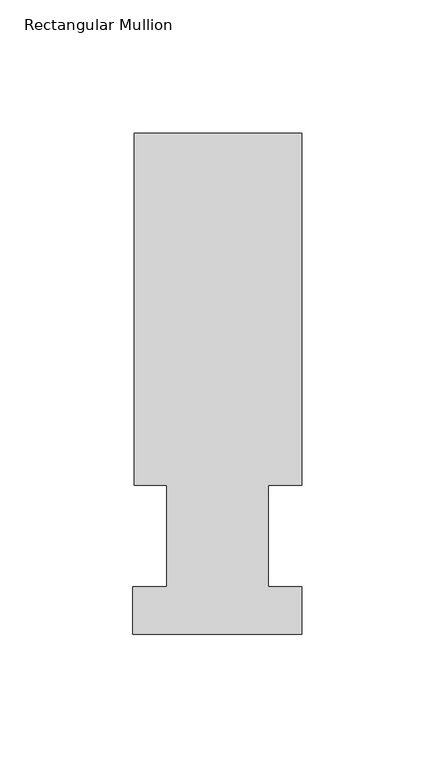
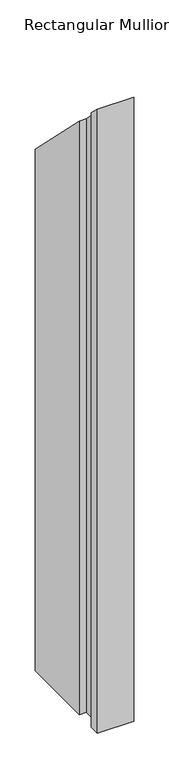
"""IFC4 building model written with IfcOpenShell, lengths in millimetres: member geometry, Rectangular Mullion."""

from ifc_helpers import new_model, si_unit, origin, place, context, project, spatial, faceted_brep, source, transform, mapped, element, save


def rectangular_mullion_57e0dfc1(model_context):
    return source(origin(), model_context, "Body", "Brep", [
        faceted_brep([(-63.0936, 189.0895062, -1148.765117), (0.0, 189.0895062, -1148.765117), (0.0, 56.6539062, -1148.765117), (-12.6746, 56.6539062, -1148.765117), (-12.6746, 18.5539063, -1148.765117), (0.0, 18.5539062, -1148.765117), (0.0, 0.5199062, -1148.765117), (-63.5, 0.5199062, -1148.765117), (-63.5, 18.5539063, -1148.765117), (-50.8, 18.5539063, -1148.765117), (-50.8, 56.6539062, -1148.765117), (-63.0936, 56.6539062, -1148.765117), (-63.0936, 56.6539062, -56.6539063), (-63.0936, 189.0895062, -189.0895062), (-50.8, 56.6539062, -56.6539063), (-50.8, 18.5539063, -18.5539063), (-63.5, 18.5539063, -18.5539063), (-63.5, 0.5199062, -0.5199062), (0.0, 0.5199062, -0.5199062), (0.0, 18.5539062, -18.5539062), (-12.6746, 18.5539062, -18.5539063), (-12.6746, 56.6539062, -56.6539063), (0.0, 56.6539062, -56.6539063), (0.0, 189.0895062, -189.0895062)], [[[0, 1, 2, 3, 4, 5, 6, 7, 8, 9, 10, 11]], [[12, 13, 0, 11]], [[14, 12, 11, 10]], [[15, 14, 10, 9]], [[16, 15, 9, 8]], [[17, 16, 8, 7]], [[18, 17, 7, 6]], [[19, 18, 6, 5]], [[20, 19, 5, 4]], [[21, 20, 4, 3]], [[22, 21, 3, 2]], [[23, 22, 2, 1]], [[13, 23, 1, 0]], [[13, 12, 14, 15, 16, 17, 18, 19, 20, 21, 22, 23]]]),
    ])


if __name__ == "__main__":
    model = new_model("IFC4")
    model_context = context("Model", 3, world=origin())
    ifc_project = project(units=[si_unit("LENGTHUNIT", "METRE", prefix="MILLI")], contexts=[model_context])
    site = spatial("IfcSite", under=ifc_project)
    building = spatial("IfcBuilding", under=site)
    placement = place(None, origin())
    rectangular_mullion_shape = rectangular_mullion_57e0dfc1(model_context)
    element("IfcMember", 1, ObjectType="Rectangular Mullion", at=placement, inside=building, context=model_context, shape_type="MappedRepresentation", body=[
        mapped(rectangular_mullion_shape, transform((0.0, 0.0, 0.0), x_axis=(1.0, 0.0, 0.0), y_axis=(0.0, 1.0, 0.0), z_axis=(0.0, 0.0, 1.0))),
    ])
    save(model, "model.ifc")
